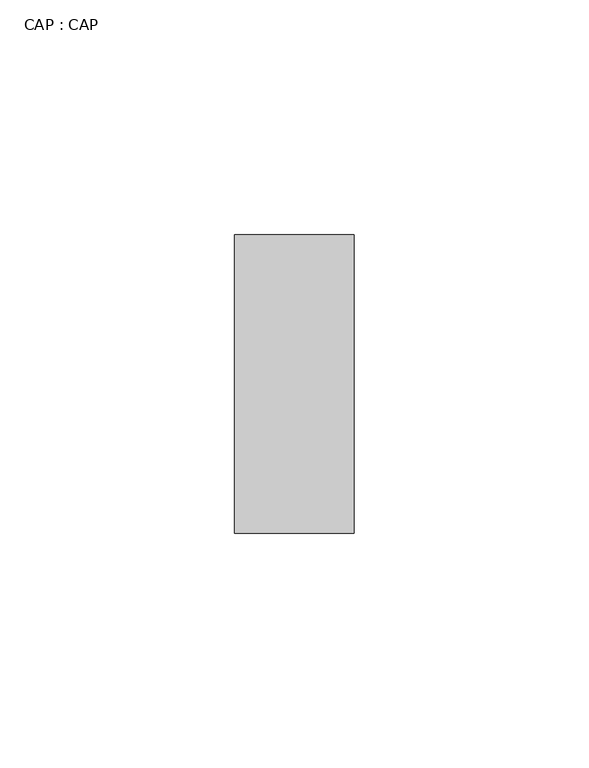
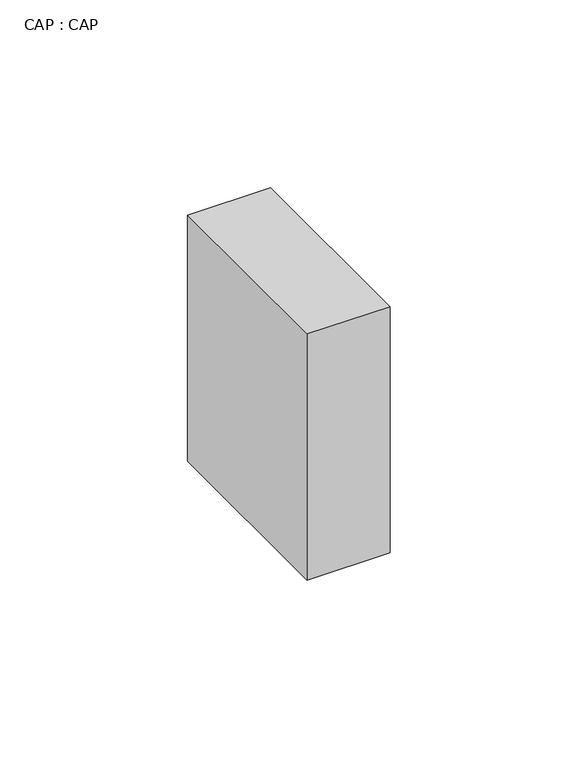
"""IFC4 building model written with IfcOpenShell, lengths in millimetres: proxy geometry, CAP : CAP."""

from ifc_helpers import new_model, si_unit, origin, origin_with_axes, place, context, project, spatial, polyline, outline, extrude, source, transform, mapped, element, save


def cap_cap_b48670a9(model_context):
    return source(origin(), model_context, "Body", "SweptSolid", [
        extrude(outline(polyline([(-38237.4610318, -2828.087991), (-38212.056025, -2828.087991), (-38212.056025, -2891.5881042), (-38237.4610318, -2891.5881042), (-38237.4610318, -2828.087991)])), origin_with_axes(), (0.0, 0.0, 1.0), 79.8777242),
    ])


if __name__ == "__main__":
    model = new_model("IFC4")
    model_context = context("Model", 3, world=origin())
    ifc_project = project(units=[si_unit("LENGTHUNIT", "METRE", prefix="MILLI")], contexts=[model_context])
    site = spatial("IfcSite", under=ifc_project)
    building = spatial("IfcBuilding", under=site)
    placement = place(None, origin())
    cap_cap_shape = cap_cap_b48670a9(model_context)
    element("IfcBuildingElementProxy", 1, Name="CAP : CAP", ObjectType="CAP : CAP", at=placement, inside=building, context=model_context, shape_type="MappedRepresentation", body=[
        mapped(cap_cap_shape, transform((0.0, 0.0, 0.0), x_axis=(1.0, 0.0, 0.0), y_axis=(0.0, 1.0, 0.0), z_axis=(0.0, 0.0, 1.0))),
    ])
    save(model, "model.ifc")
